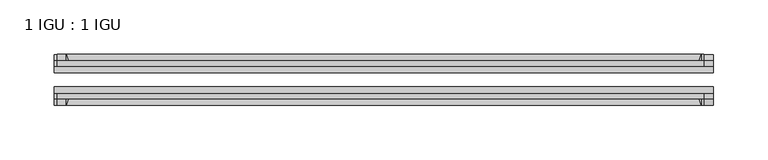
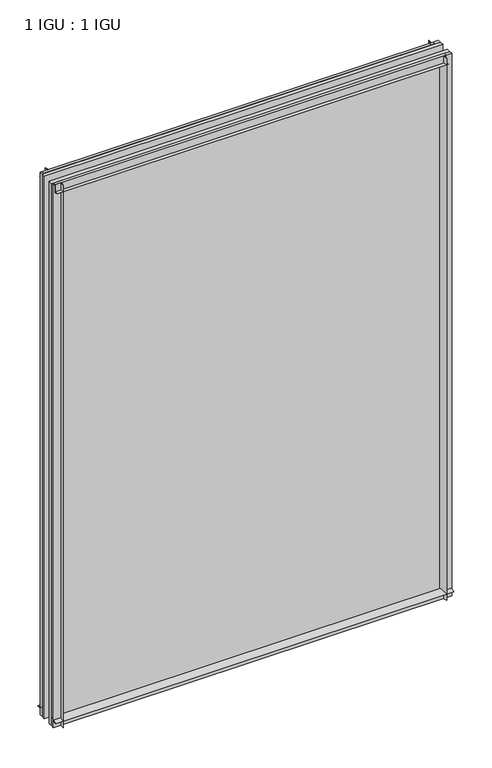
"""IFC4 building model written with IfcOpenShell, lengths in millimetres: plate geometry, 1 IGU : 1 IGU."""

from ifc_helpers import new_model, si_unit, point, frame, frame_2d, origin, place, context, project, spatial, polyline, circle_curve, trimmed, segment, composite_curve, outline, extrude, source, transform, mapped, element, save


def plate_1_igu_1_igu_2a7211b2(model_context):
    return source(origin(), model_context, "Body", "SweptSolid", [
        extrude(outline(composite_curve([segment(trimmed(circle_curve(frame_2d((-28.0741797, 32.2797688)), 32.7673262), [point((-44.45, 3.8979053))], [point((-33.7058, 1.48e-05))], True, "CARTESIAN"), True, "CONTINUOUS"), segment(polyline([(-33.7058, 1.48e-05), (-39.6748, 1.48e-05), (-39.6748, -10.31875), (-44.45, -10.31875), (-44.45, 3.8979053)]), True, "CONTINUOUS")], self_intersect=False)), frame((-303.2045252, 0.0, 0.0), z_axis=(1.0, 0.0, 0.0), x_axis=(0.0, 1.0, 0.0)), (0.0, 0.0, 1.0), 606.4090504),
        extrude(outline(composite_curve([segment(trimmed(circle_curve(frame_2d((-86.2258203, 32.2797602)), 32.7673262), [point((-80.5942354, 0.0))], [point((-69.85, 3.8978967))], True, "CARTESIAN"), True, "CONTINUOUS"), segment(polyline([(-69.85, 3.8978967), (-69.85, -10.31875), (-74.6252, -10.31875), (-74.6252, 0.0), (-80.5942354, 0.0)]), True, "CONTINUOUS")], self_intersect=False)), frame((-303.2045252, 0.0, 0.0), z_axis=(1.0, 0.0, 0.0), x_axis=(0.0, 1.0, 0.0)), (0.0, 0.0, 1.0), 606.4090504),
        extrude(outline(composite_curve([segment(polyline([(-80.5942, 850.9), (-74.6252, 850.9), (-74.6252, 862.0125), (-69.85, 862.0125), (-69.85, 847.0021095)]), True, "CONTINUOUS"), segment(trimmed(circle_curve(frame_2d((-86.2258203, 818.620246)), 32.7673262), [point((-69.85, 847.0021095))], [point((-80.5942, 850.9))], True, "CARTESIAN"), True, "CONTINUOUS")], self_intersect=False)), frame((-300.6047638, 0.0, 0.0), z_axis=(1.0, 0.0, 0.0), x_axis=(0.0, 1.0, 0.0)), (0.0, 0.0, 1.0), 595.2427505),
        extrude(outline(composite_curve([segment(polyline([(-39.6748, 862.0125), (-39.6748, 850.9), (-33.7058, 850.9)]), True, "CONTINUOUS"), segment(trimmed(circle_curve(frame_2d((-28.0741797, 818.620246)), 32.7673262), [point((-33.7058, 850.9))], [point((-44.45, 847.0021095))], True, "CARTESIAN"), True, "CONTINUOUS"), segment(polyline([(-44.45, 847.0021095), (-44.45, 862.0125), (-39.6748, 862.0125)]), True, "CONTINUOUS")], self_intersect=False)), frame((-300.6047638, 0.0, 0.0), z_axis=(1.0, 0.0, 0.0), x_axis=(0.0, 1.0, 0.0)), (0.0, 0.0, 1.0), 595.2427505),
        extrude(outline(composite_curve([segment(polyline([(303.2045252, -39.6748), (303.2045252, -44.45), (288.1941347, -44.45)]), True, "CONTINUOUS"), segment(trimmed(circle_curve(frame_2d((259.8122712, -28.0741797)), 32.7673262), [point((288.1941347, -44.45))], [point((292.0920252, -33.7058))], True, "CARTESIAN"), True, "CONTINUOUS"), segment(polyline([(292.0920252, -33.7058), (292.0920252, -39.6748), (303.2045252, -39.6748)]), True, "CONTINUOUS")], self_intersect=False)), frame((0.0, 0.0, -10.31875), z_axis=(0.0, 0.0, 1.0), x_axis=(1.0, 0.0, 0.0)), (0.0, 0.0, 1.0), 872.33125),
        extrude(outline(composite_curve([segment(polyline([(303.2045252, -69.85), (303.2045252, -74.6252), (292.0920252, -74.6252), (292.0920252, -80.5942)]), True, "CONTINUOUS"), segment(trimmed(circle_curve(frame_2d((259.8122712, -86.2258203)), 32.7673262), [point((292.0920252, -80.5942))], [point((288.1941347, -69.85))], True, "CARTESIAN"), True, "CONTINUOUS"), segment(polyline([(288.1941347, -69.85), (303.2045252, -69.85)]), True, "CONTINUOUS")], self_intersect=False)), frame((0.0, 0.0, -10.31875), z_axis=(0.0, 0.0, 1.0), x_axis=(1.0, 0.0, 0.0)), (0.0, 0.0, 1.0), 872.33125),
        extrude(outline(composite_curve([segment(polyline([(-303.2045252, -39.6748), (-292.0920252, -39.6748), (-292.0920252, -33.7058)]), True, "CONTINUOUS"), segment(trimmed(circle_curve(frame_2d((-259.8122712, -28.0741797)), 32.7673262), [point((-292.0920252, -33.7058))], [point((-288.1941347, -44.45))], True, "CARTESIAN"), True, "CONTINUOUS"), segment(polyline([(-288.1941347, -44.45), (-303.2045252, -44.45), (-303.2045252, -39.6748)]), True, "CONTINUOUS")], self_intersect=False)), frame((0.0, 0.0, -10.31875), z_axis=(0.0, 0.0, 1.0), x_axis=(1.0, 0.0, 0.0)), (0.0, 0.0, 1.0), 872.33125),
        extrude(outline(composite_curve([segment(polyline([(-303.2045252, -74.6252), (-303.2045252, -69.85), (-288.1941347, -69.85)]), True, "CONTINUOUS"), segment(trimmed(circle_curve(frame_2d((-259.8122712, -86.2258203)), 32.7673262), [point((-288.1941347, -69.85))], [point((-292.0920252, -80.5942))], True, "CARTESIAN"), True, "CONTINUOUS"), segment(polyline([(-292.0920252, -80.5942), (-292.0920252, -74.6252), (-303.2045252, -74.6252)]), True, "CONTINUOUS")], self_intersect=False)), frame((0.0, 0.0, -10.31875), z_axis=(0.0, 0.0, 1.0), x_axis=(1.0, 0.0, 0.0)), (0.0, 0.0, 1.0), 872.33125),
        extrude(outline(polyline([(-303.2045252, -69.85), (-303.2045252, -63.5508), (303.2045252, -63.5508), (303.2045252, -69.85), (-303.2045252, -69.85)])), frame((0.0, 0.0, -10.31875), z_axis=(0.0, 0.0, 1.0), x_axis=(1.0, 0.0, 0.0)), (0.0, 0.0, 1.0), 872.33125),
        extrude(outline(polyline([(303.2045252, -50.7492), (-303.2045252, -50.7492), (-303.2045252, -44.45), (303.2045252, -44.45), (303.2045252, -50.7492)])), frame((0.0, 0.0, -10.31875), z_axis=(0.0, 0.0, 1.0), x_axis=(1.0, 0.0, 0.0)), (0.0, 0.0, 1.0), 872.33125),
    ])


if __name__ == "__main__":
    model = new_model("IFC4")
    model_context = context("Model", 3, world=origin())
    ifc_project = project(units=[si_unit("LENGTHUNIT", "METRE", prefix="MILLI")], contexts=[model_context])
    site = spatial("IfcSite", under=ifc_project)
    building = spatial("IfcBuilding", under=site)
    placement = place(None, origin())
    plate_1_igu_1_igu_shape = plate_1_igu_1_igu_2a7211b2(model_context)
    element("IfcPlate", 1, ObjectType="1 IGU : 1 IGU", at=placement, inside=building, context=model_context, shape_type="MappedRepresentation", body=[
        mapped(plate_1_igu_1_igu_shape, transform((0.0, 0.0, 0.0), x_axis=(1.0, 0.0, 0.0), y_axis=(0.0, 1.0, 0.0), z_axis=(0.0, 0.0, 1.0))),
    ])
    save(model, "model.ifc")
